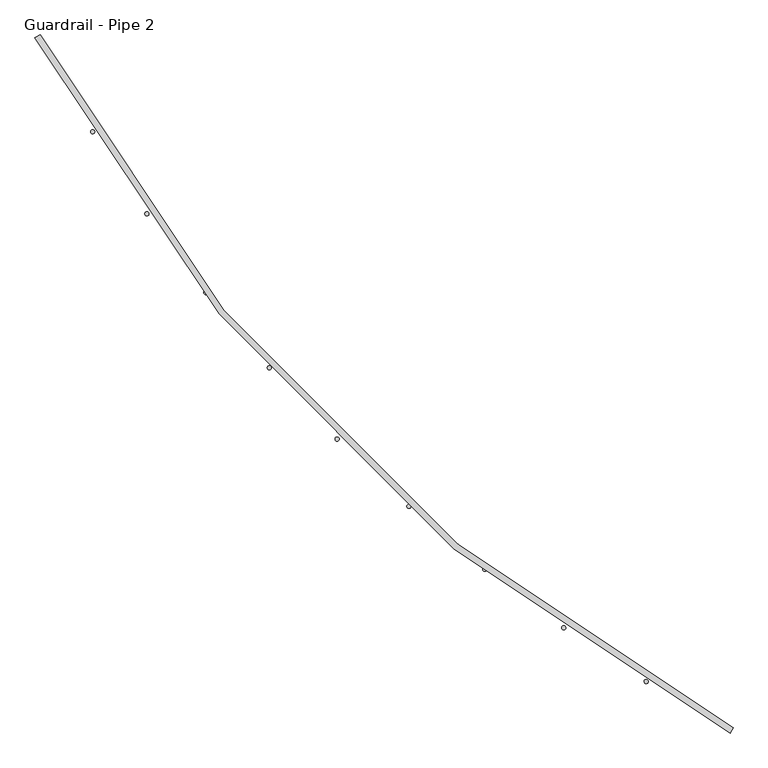
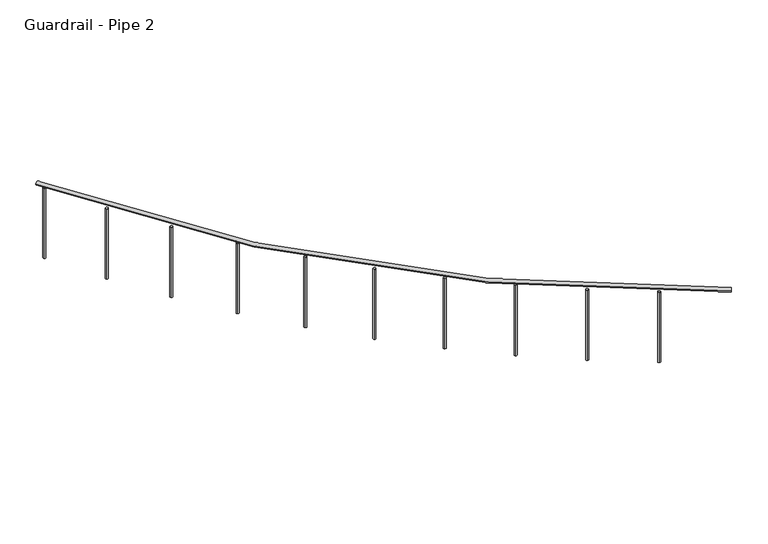
"""IFC4 building model written with IfcOpenShell, lengths in millimetres: railing geometry, Guardrail - Pipe 2."""

from ifc_helpers import new_model, si_unit, point, frame, frame_2d, origin, place, context, project, spatial, circle_curve, ellipse_curve, trimmed, segment, composite_curve, outline, extrude, source, transform, mapped, element, save
from ifc_brep_helpers import plane_surface, revolved_surface, advanced_brep


def guardrail_pipe_2_53f18ad0(model_context):
    return source(origin(), model_context, "Body", "SolidModel", [
        advanced_brep(
        [(489724.58135, -280436.2315517, 5518.15), (494031.0019382, -284742.65214, 5518.15), (494048.93135, -284709.0344929, 5518.15), (489758.198997, -280418.30214, 5518.15)],
        [
            (0, 1, circle_curve(frame((498952.6254676, -275514.6080223, 5518.15), z_axis=(0.0, 0.0, 1.0), x_axis=(-0.47058823529371446, -0.8823529411766856, 0.0)), 10458.45)),
            (1, 2, circle_curve(frame((494039.9666441, -284725.8433165, 5518.15), z_axis=(-0.8823529411766841, 0.4705882352937174, 0.0), x_axis=(-0.4705882352937174, -0.8823529411766841, 0.0)), 19.05)),
            (2, 3, circle_curve(frame((498952.6254676, -275514.6080223, 5518.15), z_axis=(0.0, 0.0, -1.0), x_axis=(-0.47058823529371446, -0.8823529411766856, 0.0)), 10420.35)),
            (3, 0, circle_curve(frame((489741.3901735, -280427.2668459, 5518.15), z_axis=(0.47058823529375465, -0.8823529411766642, 0.0), x_axis=(-0.8823529411766642, -0.47058823529375465, 0.0)), 19.05)),
            (2, 1, circle_curve(frame((494039.9666441, -284725.8433165, 5518.15), z_axis=(-0.8823529411766848, 0.4705882352937159, 0.0), x_axis=(-0.4705882352937159, -0.8823529411766848, 0.0)), 19.05)),
            (0, 3, circle_curve(frame((489741.3901735, -280427.2668459, 5518.15), z_axis=(0.47058823529375354, -0.8823529411766647, 0.0), x_axis=(-0.8823529411766647, -0.47058823529375354, 0.0)), 19.05)),
        ],
        [
            revolved_surface(trimmed(ellipse_curve(frame((494039.9666441, -284725.8433165, 5518.15), z_axis=(0.8823529411766856, -0.47058823529371446, 0.0), x_axis=(-0.47058823529371446, -0.8823529411766856, 0.0)), 19.05, 19.05), [point((494048.93135, -284709.0344929, 5518.15))], [point((494031.0019382, -284742.65214, 5518.15))], True, "CARTESIAN"), (498952.6254676, -275514.6080223, 5537.2), (0.0, 0.0, -1.0)),
            revolved_surface(trimmed(ellipse_curve(frame((494039.9666441, -284725.8433165, 5518.15), z_axis=(0.8823529411766856, -0.47058823529371446, 0.0), x_axis=(-0.47058823529371446, -0.8823529411766856, 0.0)), 19.05, 19.05), [point((494031.0019382, -284742.65214, 5518.15))], [point((494048.93135, -284709.0344929, 5518.15))], True, "CARTESIAN"), (498952.6254676, -275514.6080223, 5537.2), (0.0, 0.0, -1.0)),
            plane_surface(frame((494039.9666441, -284725.8433165, 5537.2), z_axis=(0.8823529411766856, -0.47058823529371446, 0.0), x_axis=(0.47058823529371446, 0.8823529411766856, 0.0))),
            plane_surface(frame((489741.3901735, -280427.2668459, 5537.2), z_axis=(-0.47058823529374844, 0.8823529411766675, 0.0), x_axis=(0.8823529411766675, 0.47058823529374844, 0.0))),
        ],
        [
            (0, [[1, 2, 3, 4]]),
            (1, [[-3, 5, -1, 6]]),
            (2, [[-2, -5]]),
            (3, [[-6, -4]]),
        ],
    ),
        extrude(outline(composite_curve([segment(trimmed(circle_curve(frame_2d((489775.7059149, -280491.0746286)), 12.7), [point((489786.8700506, -280485.020533))], [point((489764.5417792, -280497.1287242))], False, "CARTESIAN"), True, "CONTINUOUS"), segment(trimmed(circle_curve(frame_2d((489775.7059149, -280491.0746286)), 12.7), [point((489764.5417792, -280497.1287242))], [point((489786.8700506, -280485.020533))], False, "CARTESIAN"), True, "CONTINUOUS")], self_intersect=False)), frame((0.0, 0.0, 4775.2), z_axis=(0.0, 0.0, 1.0), x_axis=(1.0, 0.0, 0.0)), (0.0, 0.0, 1.0), 723.9),
        extrude(outline(composite_curve([segment(trimmed(circle_curve(frame_2d((490081.779026, -281018.1664865)), 12.7), [point((490092.57081, -281011.4711599))], [point((490070.987242, -281024.8618131))], False, "CARTESIAN"), True, "CONTINUOUS"), segment(trimmed(circle_curve(frame_2d((490081.779026, -281018.1664865)), 12.7), [point((490070.987242, -281024.8618131))], [point((490092.57081, -281011.4711599))], False, "CARTESIAN"), True, "CONTINUOUS")], self_intersect=False)), frame((0.0, 0.0, 4775.2), z_axis=(0.0, 0.0, 1.0), x_axis=(1.0, 0.0, 0.0)), (0.0, 0.0, 1.0), 723.9),
        extrude(outline(composite_curve([segment(trimmed(circle_curve(frame_2d((490418.0920467, -281526.4972136)), 12.7), [point((490428.4746908, -281519.1834798))], [point((490407.7094027, -281533.8109474))], False, "CARTESIAN"), True, "CONTINUOUS"), segment(trimmed(circle_curve(frame_2d((490418.0920467, -281526.4972136)), 12.7), [point((490407.7094027, -281533.8109474))], [point((490428.4746908, -281519.1834798))], False, "CARTESIAN"), True, "CONTINUOUS")], self_intersect=False)), frame((0.0, 0.0, 4775.2), z_axis=(0.0, 0.0, 1.0), x_axis=(1.0, 0.0, 0.0)), (0.0, 0.0, 1.0), 723.9),
        extrude(outline(composite_curve([segment(trimmed(circle_curve(frame_2d((490783.4985166, -282014.3339565)), 12.7), [point((490793.4366273, -282006.4267473))], [point((490773.560406, -282022.2411657))], False, "CARTESIAN"), True, "CONTINUOUS"), segment(trimmed(circle_curve(frame_2d((490783.4985166, -282014.3339565)), 12.7), [point((490773.560406, -282022.2411657))], [point((490793.4366273, -282006.4267473))], False, "CARTESIAN"), True, "CONTINUOUS")], self_intersect=False)), frame((0.0, 0.0, 4775.2), z_axis=(0.0, 0.0, 1.0), x_axis=(1.0, 0.0, 0.0)), (0.0, 0.0, 1.0), 723.9),
        extrude(outline(composite_curve([segment(trimmed(circle_curve(frame_2d((491176.7527983, -282480.0137241)), 12.7), [point((491186.2124974, -282471.5399945))], [point((491167.2930992, -282488.4874537))], False, "CARTESIAN"), True, "CONTINUOUS"), segment(trimmed(circle_curve(frame_2d((491176.7527983, -282480.0137241)), 12.7), [point((491167.2930992, -282488.4874537))], [point((491186.2124974, -282471.5399945))], False, "CARTESIAN"), True, "CONTINUOUS")], self_intersect=False)), frame((0.0, 0.0, 4775.2), z_axis=(0.0, 0.0, 1.0), x_axis=(1.0, 0.0, 0.0)), (0.0, 0.0, 1.0), 723.9),
        extrude(outline(composite_curve([segment(trimmed(circle_curve(frame_2d((491596.5143235, -282921.9490564)), 12.7), [point((491605.4633638, -282912.9376926))], [point((491587.5652832, -282930.9604202))], False, "CARTESIAN"), True, "CONTINUOUS"), segment(trimmed(circle_curve(frame_2d((491596.5143235, -282921.9490564)), 12.7), [point((491587.5652832, -282930.9604202))], [point((491605.4633638, -282912.9376926))], False, "CARTESIAN"), True, "CONTINUOUS")], self_intersect=False)), frame((0.0, 0.0, 4775.2), z_axis=(0.0, 0.0, 1.0), x_axis=(1.0, 0.0, 0.0)), (0.0, 0.0, 1.0), 723.9),
        extrude(outline(composite_curve([segment(trimmed(circle_curve(frame_2d((492041.3521634, -283338.633436)), 12.7), [point((492049.7600384, -283329.1151569))], [point((492032.9442883, -283348.1517151))], False, "CARTESIAN"), True, "CONTINUOUS"), segment(trimmed(circle_curve(frame_2d((492041.3521634, -283338.633436)), 12.7), [point((492032.9442883, -283348.1517151))], [point((492049.7600384, -283329.1151569))], False, "CARTESIAN"), True, "CONTINUOUS")], self_intersect=False)), frame((0.0, 0.0, 4775.2), z_axis=(0.0, 0.0, 1.0), x_axis=(1.0, 0.0, 0.0)), (0.0, 0.0, 1.0), 723.9),
        extrude(outline(composite_curve([segment(trimmed(circle_curve(frame_2d((492509.7499061, -283728.6464237)), 12.7), [point((492517.5879543, -283718.6536763))], [point((492501.911858, -283738.6391712))], False, "CARTESIAN"), True, "CONTINUOUS"), segment(trimmed(circle_curve(frame_2d((492509.7499061, -283728.6464237)), 12.7), [point((492501.911858, -283738.6391712))], [point((492517.5879543, -283718.6536763))], False, "CARTESIAN"), True, "CONTINUOUS")], self_intersect=False)), frame((0.0, 0.0, 4775.2), z_axis=(0.0, 0.0, 1.0), x_axis=(1.0, 0.0, 0.0)), (0.0, 0.0, 1.0), 723.9),
        extrude(outline(composite_curve([segment(trimmed(circle_curve(frame_2d((493000.1108264, -284090.6585006)), 12.7), [point((493007.3523284, -284080.2253492))], [point((492992.8693244, -284101.0916521))], False, "CARTESIAN"), True, "CONTINUOUS"), segment(trimmed(circle_curve(frame_2d((493000.1108264, -284090.6585006)), 12.7), [point((492992.8693244, -284101.0916521))], [point((493007.3523284, -284080.2253492))], False, "CARTESIAN"), True, "CONTINUOUS")], self_intersect=False)), frame((0.0, 0.0, 4775.2), z_axis=(0.0, 0.0, 1.0), x_axis=(1.0, 0.0, 0.0)), (0.0, 0.0, 1.0), 723.9),
        extrude(outline(composite_curve([segment(trimmed(circle_curve(frame_2d((493510.7633284, -284423.4356005)), 12.7), [point((493517.3835986, -284412.5976108))], [point((493504.1430582, -284434.2735903))], False, "CARTESIAN"), True, "CONTINUOUS"), segment(trimmed(circle_curve(frame_2d((493510.7633284, -284423.4356005)), 12.7), [point((493504.1430582, -284434.2735903))], [point((493517.3835986, -284412.5976108))], False, "CARTESIAN"), True, "CONTINUOUS")], self_intersect=False)), frame((0.0, 0.0, 4775.2), z_axis=(0.0, 0.0, 1.0), x_axis=(1.0, 0.0, 0.0)), (0.0, 0.0, 1.0), 723.9),
    ])


if __name__ == "__main__":
    model = new_model("IFC4")
    model_context = context("Model", 3, world=origin())
    ifc_project = project(units=[si_unit("LENGTHUNIT", "METRE", prefix="MILLI")], contexts=[model_context])
    site = spatial("IfcSite", under=ifc_project)
    building = spatial("IfcBuilding", under=site)
    placement = place(None, origin())
    guardrail_pipe_2_shape = guardrail_pipe_2_53f18ad0(model_context)
    element("IfcRailing", 1, ObjectType="Guardrail - Pipe 2", at=placement, inside=building, context=model_context, shape_type="MappedRepresentation", body=[
        mapped(guardrail_pipe_2_shape, transform((0.0, 0.0, 0.0), x_axis=(1.0, 0.0, 0.0), y_axis=(0.0, 1.0, 0.0), z_axis=(0.0, 0.0, 1.0))),
    ])
    save(model, "model.ifc")
